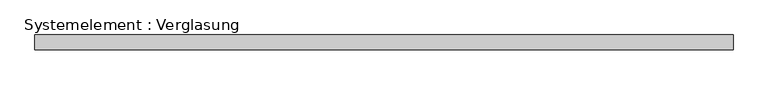
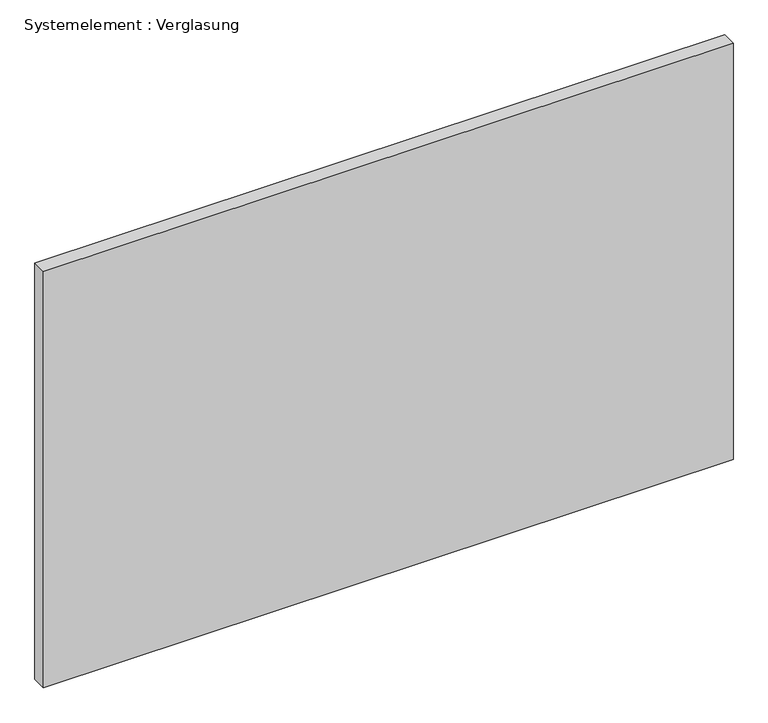
"""IFC4 building model written with IfcOpenShell, lengths in millimetres: plate geometry, Systemelement : Verglasung."""

import ifcopenshell
import ifcopenshell.guid

model = None  # the IFC model being written
_history = None  # IfcOwnerHistory: only IFC2X3 demands one
_inside = {}  # id of a spatial element -> (the spatial element, [elements in it])
_under = {}  # id of a project, library or spatial element -> (it, [spatial elements below it])
_declared = {}  # id of a project -> (the project, [libraries it declares])
_typed = {}  # id of a type object -> (the type object, [elements of that type])
_made_of = {}  # id of a material, layer set ... -> (it, [elements and type objects made of it])


def new_model(schema):
    """Start an empty IFC model of exactly this schema.

    Asked for "IFC4X3", IfcOpenShell would pick the latest addendum, in which some entities
    have other attributes; the version numbers below select the first issue.
    IFC2X3 requires an IfcOwnerHistory on every rooted entity: one is made here for all.
    """
    global model, _history
    if schema == "IFC4X3":
        model = ifcopenshell.file(schema_version=(4, 3, 0, 0))
    else:
        model = ifcopenshell.file(schema=schema)
    _inside.clear()
    _under.clear()
    _declared.clear()
    _typed.clear()
    _made_of.clear()
    _history = None
    if model.schema == "IFC2X3":
        org = make("IfcOrganization", Name="unknown")
        user = make(
            "IfcPersonAndOrganization",
            ThePerson=make("IfcPerson", FamilyName="unknown"),
            TheOrganization=org,
        )
        app = make(
            "IfcApplication",
            ApplicationDeveloper=org,
            Version="unknown",
            ApplicationFullName="unknown",
            ApplicationIdentifier="unknown",
        )
        _history = make(
            "IfcOwnerHistory",
            OwningUser=user,
            OwningApplication=app,
            ChangeAction="ADDED",
            CreationDate=0,
        )
    return model


def make(cls, **values):
    """One entity of the class cls with the attributes given. An attribute that is None is left unset."""
    return model.create_entity(
        cls, **{name: value for name, value in values.items() if value is not None}
    )


def rooted(cls, **values):
    """An entity with a GlobalId (a new one), such as an element, a storey or a relation."""
    return make(cls, GlobalId=ifcopenshell.guid.new(), OwnerHistory=_history, **values)


def si_unit(unit_type, name, prefix=None):
    """IfcSIUnit, for example si_unit("LENGTHUNIT", "METRE", prefix="MILLI")."""
    return make("IfcSIUnit", UnitType=unit_type, Prefix=prefix, Name=name)


def assignment(units):
    """IfcUnitAssignment: the units of a project."""
    return None if units is None else make("IfcUnitAssignment", Units=units)


def point(xyz):
    """IfcCartesianPoint."""
    return None if xyz is None else make("IfcCartesianPoint", Coordinates=xyz)


def direction(xyz):
    """IfcDirection."""
    return None if xyz is None else make("IfcDirection", DirectionRatios=xyz)


def frame(location, z_axis=None, x_axis=None):
    """IfcAxis2Placement3D, a coordinate frame: its origin and axes. An axis left out is left unset."""
    return make(
        "IfcAxis2Placement3D",
        Location=point(location),
        Axis=direction(z_axis),
        RefDirection=direction(x_axis),
    )


def origin():
    """The frame at (0, 0, 0) with its axes left unset."""
    return frame((0.0, 0.0, 0.0))


def origin_with_axes():
    """The frame at (0, 0, 0) with the z axis (0, 0, 1) and the x axis (1, 0, 0) written out."""
    return frame((0.0, 0.0, 0.0), z_axis=(0.0, 0.0, 1.0), x_axis=(1.0, 0.0, 0.0))


def place(relative_to, where):
    """IfcLocalPlacement: puts the frame where relative to a parent placement (None: the world)."""
    return make(
        "IfcLocalPlacement", PlacementRelTo=relative_to, RelativePlacement=where
    )


def context(
    kind, dimensions, precision=None, world=None, true_north=None, identifier=None
):
    """IfcGeometricRepresentationContext, for example the 3D "Model" context."""
    return make(
        "IfcGeometricRepresentationContext",
        ContextIdentifier=identifier,
        ContextType=kind,
        CoordinateSpaceDimension=dimensions,
        Precision=precision,
        WorldCoordinateSystem=world,
        TrueNorth=true_north,
    )


def project(units=None, contexts=None):
    """IfcProject with its units and contexts."""
    return rooted(
        "IfcProject",
        Name="project",
        RepresentationContexts=contexts,
        UnitsInContext=assignment(units),
    )


def spatial(cls, under=None, at=None, **own):
    """A site, building, storey or space (cls), placed at a placement, below another one or the project."""
    s = rooted(cls, ObjectPlacement=at, **own)
    if under is not None:
        _under.setdefault(under.id(), (under, []))[1].append(s)
    return s


def polyline(points):
    """IfcPolyline through the points."""
    return make("IfcPolyline", Points=[point(p) for p in points])


def outline(outer, holes=None, kind="AREA"):
    """IfcArbitraryClosedProfileDef: a profile drawn as a closed curve; with holes, ...WithVoids."""
    if holes is None:
        return make("IfcArbitraryClosedProfileDef", ProfileType=kind, OuterCurve=outer)
    return make(
        "IfcArbitraryProfileDefWithVoids",
        ProfileType=kind,
        OuterCurve=outer,
        InnerCurves=holes,
    )


def extrude(swept, where, along, depth):
    """IfcExtrudedAreaSolid: the profile swept, set in the frame where, extruded along a direction by depth."""
    return make(
        "IfcExtrudedAreaSolid",
        SweptArea=swept,
        Position=where,
        ExtrudedDirection=direction(along),
        Depth=depth,
    )


def shape(context_of_items, identifier, shape_type, items):
    """IfcShapeRepresentation: the items that make up one representation, for example the "Body"."""
    return make(
        "IfcShapeRepresentation",
        ContextOfItems=context_of_items,
        RepresentationIdentifier=identifier,
        RepresentationType=shape_type,
        Items=items,
    )


def source(mapping_origin, context_of_items, identifier, shape_type, items):
    """IfcRepresentationMap: a shape defined once, which mapped items show again and again."""
    return make(
        "IfcRepresentationMap",
        MappingOrigin=mapping_origin,
        MappedRepresentation=shape(context_of_items, identifier, shape_type, items),
    )


def transform(
    local_origin,
    x_axis=None,
    y_axis=None,
    z_axis=None,
    scale=None,
    scale2=None,
    scale3=None,
    uniform=True,
):
    """IfcCartesianTransformationOperator3D, or its non-uniform kind. x_axis, y_axis, z_axis: its Axis1, 2, 3."""
    if uniform:
        return make(
            "IfcCartesianTransformationOperator3D",
            Axis1=direction(x_axis),
            Axis2=direction(y_axis),
            LocalOrigin=point(local_origin),
            Scale=scale,
            Axis3=direction(z_axis),
        )
    return make(
        "IfcCartesianTransformationOperator3DnonUniform",
        Axis1=direction(x_axis),
        Axis2=direction(y_axis),
        LocalOrigin=point(local_origin),
        Scale=scale,
        Axis3=direction(z_axis),
        Scale2=scale2,
        Scale3=scale3,
    )


def mapped(mapping_source, mapping_target):
    """IfcMappedItem: shows the shape of a source again, moved by a transform."""
    return make(
        "IfcMappedItem", MappingSource=mapping_source, MappingTarget=mapping_target
    )


def made_of(thing, what):
    """Note that an element or type object is made of a material, layer set ...; save() writes the relation."""
    if what is not None:
        _made_of.setdefault(what.id(), (what, []))[1].append(thing)
    return thing


def element(
    cls,
    number,
    at=None,
    inside=None,
    cuts=None,
    type_object=None,
    material=None,
    context=None,
    identifier="Body",
    shape_type=None,
    held_by="IfcProductDefinitionShape",
    body=None,
    shapes=None,
    **own,
):
    """One element of the class cls, such as IfcWall. Its Tag is "e" and its number.

    at: its placement. inside: the storey or other place that contains it. cuts: it is an
    opening in that element (IfcRelVoidsElement). A single representation is given by context,
    identifier, shape_type and body (its items); several are given by shapes. held_by: the class
    of the entity that holds the representations. save() writes the other relations.
    """
    e = rooted(cls, Tag="e%d" % number, ObjectPlacement=at, **own)
    if body is not None:
        shapes = [shape(context, identifier, shape_type, body)]
    if shapes is not None:
        e.Representation = make(held_by, Representations=shapes)
    if inside is not None:
        _inside.setdefault(inside.id(), (inside, []))[1].append(e)
    if cuts is not None:
        rooted(
            "IfcRelVoidsElement", RelatingBuildingElement=cuts, RelatedOpeningElement=e
        )
    if type_object is not None:
        _typed.setdefault(type_object.id(), (type_object, []))[1].append(e)
    return made_of(e, material)


def aggregate(whole, parts):
    """IfcRelAggregates: a whole, such as a stair, and the parts it consists of."""
    return rooted("IfcRelAggregates", RelatingObject=whole, RelatedObjects=parts)


def save(model, path):
    """Write the relations noted so far, then the file.

    IfcRelAggregates (storeys below a building ...), IfcRelContainedInSpatialStructure (elements
    in a storey), IfcRelDefinesByType, IfcRelAssociatesMaterial and IfcRelDeclares: one each for
    every whole, place, type object, material and project.
    """
    for whole, parts in _under.values():
        aggregate(whole, parts)
    for where, things in _inside.values():
        rooted(
            "IfcRelContainedInSpatialStructure",
            RelatedElements=things,
            RelatingStructure=where,
        )
    for kind, things in _typed.values():
        rooted("IfcRelDefinesByType", RelatedObjects=things, RelatingType=kind)
    for what, things in _made_of.values():
        rooted("IfcRelAssociatesMaterial", RelatedObjects=things, RelatingMaterial=what)
    for by, libraries in _declared.values():
        rooted("IfcRelDeclares", RelatingContext=by, RelatedDefinitions=libraries)
    model.write(path)


def systemelement_verglasung_41ec5cc2(model_context):
    return source(origin(), model_context, "Body", "SweptSolid", [
        extrude(outline(polyline([(712.8125, -15.0), (-712.8125, -15.0), (-712.8125, 15.0), (712.8125, 15.0), (712.8125, -15.0)])), origin_with_axes(), (0.0, 0.0, 1.0), 910.0),
    ])


if __name__ == "__main__":
    model = new_model("IFC4")
    model_context = context("Model", 3, world=origin())
    ifc_project = project(units=[si_unit("LENGTHUNIT", "METRE", prefix="MILLI")], contexts=[model_context])
    site = spatial("IfcSite", under=ifc_project)
    building = spatial("IfcBuilding", under=site)
    placement = place(None, origin())
    systemelement_verglasung_shape = systemelement_verglasung_41ec5cc2(model_context)
    element("IfcPlate", 1, ObjectType="Systemelement : Verglasung", at=placement, inside=building, context=model_context, shape_type="MappedRepresentation", body=[
        mapped(systemelement_verglasung_shape, transform((0.0, 0.0, 0.0), x_axis=(1.0, 0.0, 0.0), y_axis=(0.0, 1.0, 0.0), z_axis=(0.0, 0.0, 1.0))),
    ])
    save(model, "model.ifc")
